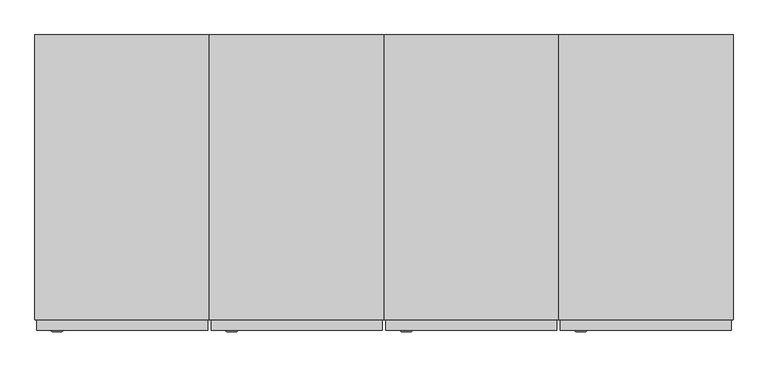
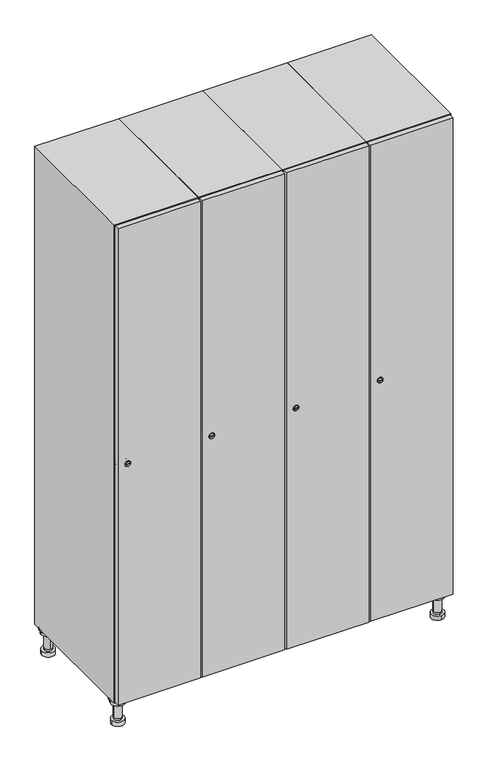
"""IFC4 building model written with IfcOpenShell, lengths in millimetres: furniture geometry."""

from ifc_helpers import new_model, si_unit, point, frame, frame_2d, origin, place, context, project, spatial, polyline, circle_curve, trimmed, segment, composite_curve, outline, extrude, faceted_brep, source, transform, mapped, element, save
from ifc_brep_helpers import plane_surface, cylinder_surface, revolved_surface, advanced_brep


def furniture_cc595a77(model_context):
    return source(origin(), model_context, "Body", "SolidModel", [
        advanced_brep(
        [(970.0, -201.0, 22.0), (970.0, -201.5, 16.0), (970.0, -228.5, 16.0), (970.0, -229.0, 22.0), (956.0, -215.0, 22.0), (984.0, -215.0, 22.0), (970.0, -192.5, 16.0), (970.0, -237.5, 16.0), (970.0, -192.5, 0.0), (970.0, -237.5, 0.0), (984.0, -215.0, 78.0), (956.0, -215.0, 78.0), (995.0, -215.0, 78.0), (945.0, -215.0, 78.0), (1000.0, -215.0, 94.0), (940.0, -215.0, 94.0), (945.0, -215.0, 94.0), (995.0, -215.0, 94.0), (1000.0, -215.0, 100.0), (940.0, -215.0, 100.0)],
        [
            (0, 1),
            (1, 2, circle_curve(frame((970.0, -215.0, 16.0), z_axis=(0.0, 0.0, 1.0), x_axis=(0.0, -1.0, 0.0)), 13.5)),
            (2, 3),
            (3, 4, circle_curve(frame((970.0, -215.0, 22.0), z_axis=(0.0, 0.0, -1.0), x_axis=(0.0, -1.0, 0.0)), 14.0)),
            (4, 0, circle_curve(frame((970.0, -215.0, 22.0), z_axis=(0.0, 0.0, -1.0), x_axis=(0.0, -1.0, 0.0)), 14.0)),
            (0, 5, circle_curve(frame((970.0, -215.0, 22.0), z_axis=(0.0, 0.0, -1.0), x_axis=(0.0, 1.0, 0.0)), 14.0)),
            (5, 3, circle_curve(frame((970.0, -215.0, 22.0), z_axis=(0.0, 0.0, -1.0), x_axis=(0.0, 1.0, 0.0)), 14.0)),
            (2, 1, circle_curve(frame((970.0, -215.0, 16.0), z_axis=(0.0, 0.0, 1.0), x_axis=(0.0, 1.0, 0.0)), 13.5)),
            (6, 7, circle_curve(frame((970.0, -215.0, 16.0), z_axis=(0.0, 0.0, 1.0), x_axis=(0.0, -1.0, 0.0)), 22.5)),
            (7, 6, circle_curve(frame((970.0, -215.0, 16.0), z_axis=(0.0, 0.0, 1.0), x_axis=(0.0, -1.0, 0.0)), 22.5)),
            (8, 9, circle_curve(frame((970.0, -215.0, 0.0), z_axis=(0.0, 0.0, -1.0), x_axis=(0.0, -1.0, 0.0)), 22.5)),
            (9, 8, circle_curve(frame((970.0, -215.0, 0.0), z_axis=(0.0, 0.0, -1.0), x_axis=(0.0, -1.0, 0.0)), 22.5)),
            (6, 8),
            (9, 7),
            (5, 10),
            (10, 11, circle_curve(frame((970.0, -215.0, 78.0), z_axis=(0.0, 0.0, -1.0), x_axis=(-1.0, 0.0, 0.0)), 14.0)),
            (11, 4),
            (11, 10, circle_curve(frame((970.0, -215.0, 78.0), z_axis=(0.0, 0.0, -1.0), x_axis=(-1.0, 0.0, 0.0)), 14.0)),
            (12, 13, circle_curve(frame((970.0, -215.0, 78.0), z_axis=(0.0, 0.0, -1.0), x_axis=(-1.0, 0.0, 0.0)), 25.0)),
            (13, 12, circle_curve(frame((970.0, -215.0, 78.0), z_axis=(0.0, 0.0, -1.0), x_axis=(-1.0, 0.0, 0.0)), 25.0)),
            (14, 15, circle_curve(frame((970.0, -215.0, 94.0), z_axis=(0.0, 0.0, -1.0), x_axis=(-1.0, 0.0, 0.0)), 30.0)),
            (15, 14, circle_curve(frame((970.0, -215.0, 94.0), z_axis=(0.0, 0.0, -1.0), x_axis=(-1.0, 0.0, 0.0)), 30.0)),
            (16, 17, circle_curve(frame((970.0, -215.0, 94.0), z_axis=(0.0, 0.0, 1.0), x_axis=(-1.0, 0.0, 0.0)), 25.0)),
            (17, 16, circle_curve(frame((970.0, -215.0, 94.0), z_axis=(0.0, 0.0, 1.0), x_axis=(-1.0, 0.0, 0.0)), 25.0)),
            (18, 19, circle_curve(frame((970.0, -215.0, 100.0), z_axis=(0.0, 0.0, 1.0), x_axis=(-1.0, 0.0, 0.0)), 30.0)),
            (19, 18, circle_curve(frame((970.0, -215.0, 100.0), z_axis=(0.0, 0.0, 1.0), x_axis=(-1.0, 0.0, 0.0)), 30.0)),
            (14, 18),
            (19, 15),
            (12, 17),
            (16, 13),
        ],
        [
            revolved_surface(polyline([(970.0, -201.5, 16.0), (970.0, -201.0, 22.0)]), (970.0, -215.0, -146.0), (0.0, 0.0, 1.0)),
            plane_surface(frame((970.0, 0.0, 16.0), z_axis=(0.0, 0.0, 1.0), x_axis=(0.0, -1.0, 0.0))),
            plane_surface(frame((970.0, 0.0, 0.0), z_axis=(0.0, 0.0, -1.0), x_axis=(0.0, -1.0, 0.0))),
            cylinder_surface(frame((970.0, -215.0, 16.0), z_axis=(0.0, 0.0, 1.0), x_axis=(0.0, -1.0, 0.0)), 22.5),
            cylinder_surface(frame((970.0, -215.0, 22.0), z_axis=(0.0, 0.0, -1.0), x_axis=(-1.0, 0.0, 0.0)), 14.0),
            plane_surface(frame((970.0, 0.0, 78.0), z_axis=(0.0, 0.0, -1.0), x_axis=(0.0, -1.0, 0.0))),
            plane_surface(frame((970.0, 0.0, 94.0), z_axis=(0.0, 0.0, -1.0), x_axis=(0.0, -1.0, 0.0))),
            plane_surface(frame((970.0, 0.0, 100.0), z_axis=(0.0, 0.0, 1.0), x_axis=(0.0, -1.0, 0.0))),
            cylinder_surface(frame((970.0, -215.0, 94.0), z_axis=(0.0, 0.0, -1.0), x_axis=(-1.0, 0.0, 0.0)), 30.0),
            cylinder_surface(frame((970.0, -215.0, 78.0), z_axis=(0.0, 0.0, -1.0), x_axis=(-1.0, 0.0, 0.0)), 25.0),
        ],
        [
            (0, [[1, 2, 3, 4, 5]]),
            (0, [[-1, 6, 7, -3, 8]]),
            (1, [[9, 10], [-2, -8]]),
            (2, [[11, 12]]),
            (3, [[-9, 13, -12, 14]]),
            (3, [[-10, -14, -11, -13]]),
            (4, [[15, 16, 17, -4, -7]]),
            (4, [[-15, -6, -5, -17, 18]]),
            (5, [[19, 20], [-16, -18]]),
            (6, [[21, 22], [23, 24]]),
            (7, [[25, 26]]),
            (8, [[-21, 27, -26, 28]]),
            (8, [[-22, -28, -25, -27]]),
            (9, [[-19, 29, -23, 30]]),
            (9, [[-20, -30, -24, -29]]),
        ],
    ),
        advanced_brep(
        [(-170.0, -201.0, 22.0), (-170.0, -201.5, 16.0), (-170.0, -228.5, 16.0), (-170.0, -229.0, 22.0), (-184.0, -215.0, 22.0), (-156.0, -215.0, 22.0), (-147.5, -215.0, 0.0), (-192.5, -215.0, 0.0), (-147.5, -215.0, 16.0), (-192.5, -215.0, 16.0), (-156.0, -215.0, 78.0), (-184.0, -215.0, 78.0), (-145.0, -215.0, 78.0), (-195.0, -215.0, 78.0), (-140.0, -215.0, 94.0), (-200.0, -215.0, 94.0), (-195.0, -215.0, 94.0), (-145.0, -215.0, 94.0), (-140.0, -215.0, 100.0), (-200.0, -215.0, 100.0)],
        [
            (0, 1),
            (1, 2, circle_curve(frame((-170.0, -215.0, 16.0), z_axis=(0.0, 0.0, 1.0), x_axis=(0.0, -1.0, 0.0)), 13.5)),
            (2, 3),
            (3, 4, circle_curve(frame((-170.0, -215.0, 22.0), z_axis=(0.0, 0.0, -1.0), x_axis=(0.0, -1.0, 0.0)), 14.0)),
            (4, 0, circle_curve(frame((-170.0, -215.0, 22.0), z_axis=(0.0, 0.0, -1.0), x_axis=(0.0, -1.0, 0.0)), 14.0)),
            (0, 5, circle_curve(frame((-170.0, -215.0, 22.0), z_axis=(0.0, 0.0, -1.0), x_axis=(0.0, 1.0, 0.0)), 14.0)),
            (5, 3, circle_curve(frame((-170.0, -215.0, 22.0), z_axis=(0.0, 0.0, -1.0), x_axis=(0.0, 1.0, 0.0)), 14.0)),
            (2, 1, circle_curve(frame((-170.0, -215.0, 16.0), z_axis=(0.0, 0.0, 1.0), x_axis=(0.0, 1.0, 0.0)), 13.5)),
            (6, 7, circle_curve(frame((-170.0, -215.0, 0.0), z_axis=(0.0, 0.0, -1.0), x_axis=(-1.0, 0.0, 0.0)), 22.5)),
            (7, 6, circle_curve(frame((-170.0, -215.0, 0.0), z_axis=(0.0, 0.0, -1.0), x_axis=(-1.0, 0.0, 0.0)), 22.5)),
            (8, 9, circle_curve(frame((-170.0, -215.0, 16.0), z_axis=(0.0, 0.0, 1.0), x_axis=(-1.0, 0.0, 0.0)), 22.5)),
            (9, 8, circle_curve(frame((-170.0, -215.0, 16.0), z_axis=(0.0, 0.0, 1.0), x_axis=(-1.0, 0.0, 0.0)), 22.5)),
            (6, 8),
            (9, 7),
            (5, 10),
            (10, 11, circle_curve(frame((-170.0, -215.0, 78.0), z_axis=(0.0, 0.0, -1.0), x_axis=(-1.0, 0.0, 0.0)), 14.0)),
            (11, 4),
            (11, 10, circle_curve(frame((-170.0, -215.0, 78.0), z_axis=(0.0, 0.0, -1.0), x_axis=(-1.0, 0.0, 0.0)), 14.0)),
            (12, 13, circle_curve(frame((-170.0, -215.0, 78.0), z_axis=(0.0, 0.0, -1.0), x_axis=(-1.0, 0.0, 0.0)), 25.0)),
            (13, 12, circle_curve(frame((-170.0, -215.0, 78.0), z_axis=(0.0, 0.0, -1.0), x_axis=(-1.0, 0.0, 0.0)), 25.0)),
            (14, 15, circle_curve(frame((-170.0, -215.0, 94.0), z_axis=(0.0, 0.0, -1.0), x_axis=(-1.0, 0.0, 0.0)), 30.0)),
            (15, 14, circle_curve(frame((-170.0, -215.0, 94.0), z_axis=(0.0, 0.0, -1.0), x_axis=(-1.0, 0.0, 0.0)), 30.0)),
            (16, 17, circle_curve(frame((-170.0, -215.0, 94.0), z_axis=(0.0, 0.0, 1.0), x_axis=(-1.0, 0.0, 0.0)), 25.0)),
            (17, 16, circle_curve(frame((-170.0, -215.0, 94.0), z_axis=(0.0, 0.0, 1.0), x_axis=(-1.0, 0.0, 0.0)), 25.0)),
            (18, 19, circle_curve(frame((-170.0, -215.0, 100.0), z_axis=(0.0, 0.0, 1.0), x_axis=(-1.0, 0.0, 0.0)), 30.0)),
            (19, 18, circle_curve(frame((-170.0, -215.0, 100.0), z_axis=(0.0, 0.0, 1.0), x_axis=(-1.0, 0.0, 0.0)), 30.0)),
            (14, 18),
            (19, 15),
            (12, 17),
            (16, 13),
        ],
        [
            revolved_surface(polyline([(-170.0, -201.5, 16.0), (-170.0, -201.0, 22.0)]), (-170.0, -215.0, -146.0), (0.0, 0.0, 1.0)),
            plane_surface(frame((-170.0, 0.0, 0.0), z_axis=(0.0, 0.0, -1.0), x_axis=(0.0, -1.0, 0.0))),
            plane_surface(frame((-170.0, 0.0, 16.0), z_axis=(0.0, 0.0, 1.0), x_axis=(0.0, -1.0, 0.0))),
            cylinder_surface(frame((-170.0, -215.0, 0.0), z_axis=(0.0, 0.0, -1.0), x_axis=(-1.0, 0.0, 0.0)), 22.5),
            cylinder_surface(frame((-170.0, -215.0, 22.0), z_axis=(0.0, 0.0, -1.0), x_axis=(-1.0, 0.0, 0.0)), 14.0),
            plane_surface(frame((-170.0, 0.0, 78.0), z_axis=(0.0, 0.0, -1.0), x_axis=(0.0, -1.0, 0.0))),
            plane_surface(frame((-170.0, 0.0, 94.0), z_axis=(0.0, 0.0, -1.0), x_axis=(0.0, -1.0, 0.0))),
            plane_surface(frame((-170.0, 0.0, 100.0), z_axis=(0.0, 0.0, 1.0), x_axis=(0.0, -1.0, 0.0))),
            cylinder_surface(frame((-170.0, -215.0, 94.0), z_axis=(0.0, 0.0, -1.0), x_axis=(-1.0, 0.0, 0.0)), 30.0),
            cylinder_surface(frame((-170.0, -215.0, 78.0), z_axis=(0.0, 0.0, -1.0), x_axis=(-1.0, 0.0, 0.0)), 25.0),
        ],
        [
            (0, [[1, 2, 3, 4, 5]]),
            (0, [[-1, 6, 7, -3, 8]]),
            (1, [[9, 10]]),
            (2, [[11, 12], [-2, -8]]),
            (3, [[-9, 13, -12, 14]]),
            (3, [[-10, -14, -11, -13]]),
            (4, [[15, 16, 17, -4, -7]]),
            (4, [[-15, -6, -5, -17, 18]]),
            (5, [[19, 20], [-16, -18]]),
            (6, [[21, 22], [23, 24]]),
            (7, [[25, 26]]),
            (8, [[-21, 27, -26, 28]]),
            (8, [[-22, -28, -25, -27]]),
            (9, [[-19, 29, -23, 30]]),
            (9, [[-20, -30, -24, -29]]),
        ],
    ),
        advanced_brep(
        [(983.5, 215.0, 16.0), (984.0, 215.0, 22.0), (956.0, 215.0, 22.0), (956.5, 215.0, 16.0), (992.5, 215.0, 0.0), (947.5, 215.0, 0.0), (992.5, 215.0, 16.0), (947.5, 215.0, 16.0), (984.0, 215.0, 78.0), (956.0, 215.0, 78.0), (995.0, 215.0, 78.0), (945.0, 215.0, 78.0), (1000.0, 215.0, 94.0), (940.0, 215.0, 94.0), (945.0, 215.0, 94.0), (995.0, 215.0, 94.0), (1000.0, 215.0, 100.0), (940.0, 215.0, 100.0)],
        [
            (0, 1),
            (1, 2, circle_curve(frame((970.0, 215.0, 22.0), z_axis=(0.0, 0.0, -1.0), x_axis=(-1.0, 0.0, 0.0)), 14.0)),
            (2, 3),
            (3, 0, circle_curve(frame((970.0, 215.0, 16.0), z_axis=(0.0, 0.0, 1.0), x_axis=(-1.0, 0.0, 0.0)), 13.5)),
            (0, 3, circle_curve(frame((970.0, 215.0, 16.0), z_axis=(0.0, 0.0, 1.0), x_axis=(1.0, 0.0, 0.0)), 13.5)),
            (2, 1, circle_curve(frame((970.0, 215.0, 22.0), z_axis=(0.0, 0.0, -1.0), x_axis=(1.0, 0.0, 0.0)), 14.0)),
            (4, 5, circle_curve(frame((970.0, 215.0, 0.0), z_axis=(0.0, 0.0, -1.0), x_axis=(-1.0, 0.0, 0.0)), 22.5)),
            (5, 4, circle_curve(frame((970.0, 215.0, 0.0), z_axis=(0.0, 0.0, -1.0), x_axis=(-1.0, 0.0, 0.0)), 22.5)),
            (6, 7, circle_curve(frame((970.0, 215.0, 16.0), z_axis=(0.0, 0.0, 1.0), x_axis=(-1.0, 0.0, 0.0)), 22.5)),
            (7, 6, circle_curve(frame((970.0, 215.0, 16.0), z_axis=(0.0, 0.0, 1.0), x_axis=(-1.0, 0.0, 0.0)), 22.5)),
            (4, 6),
            (7, 5),
            (1, 8),
            (8, 9, circle_curve(frame((970.0, 215.0, 78.0), z_axis=(0.0, 0.0, -1.0), x_axis=(-1.0, 0.0, 0.0)), 14.0)),
            (9, 2),
            (9, 8, circle_curve(frame((970.0, 215.0, 78.0), z_axis=(0.0, 0.0, -1.0), x_axis=(-1.0, 0.0, 0.0)), 14.0)),
            (10, 11, circle_curve(frame((970.0, 215.0, 78.0), z_axis=(0.0, 0.0, -1.0), x_axis=(-1.0, 0.0, 0.0)), 25.0)),
            (11, 10, circle_curve(frame((970.0, 215.0, 78.0), z_axis=(0.0, 0.0, -1.0), x_axis=(-1.0, 0.0, 0.0)), 25.0)),
            (12, 13, circle_curve(frame((970.0, 215.0, 94.0), z_axis=(0.0, 0.0, -1.0), x_axis=(-1.0, 0.0, 0.0)), 30.0)),
            (13, 12, circle_curve(frame((970.0, 215.0, 94.0), z_axis=(0.0, 0.0, -1.0), x_axis=(-1.0, 0.0, 0.0)), 30.0)),
            (14, 15, circle_curve(frame((970.0, 215.0, 94.0), z_axis=(0.0, 0.0, 1.0), x_axis=(-1.0, 0.0, 0.0)), 25.0)),
            (15, 14, circle_curve(frame((970.0, 215.0, 94.0), z_axis=(0.0, 0.0, 1.0), x_axis=(-1.0, 0.0, 0.0)), 25.0)),
            (16, 17, circle_curve(frame((970.0, 215.0, 100.0), z_axis=(0.0, 0.0, 1.0), x_axis=(-1.0, 0.0, 0.0)), 30.0)),
            (17, 16, circle_curve(frame((970.0, 215.0, 100.0), z_axis=(0.0, 0.0, 1.0), x_axis=(-1.0, 0.0, 0.0)), 30.0)),
            (12, 16),
            (17, 13),
            (10, 15),
            (14, 11),
        ],
        [
            revolved_surface(polyline([(983.5, 215.0, 16.0), (984.0, 215.0, 22.0)]), (970.0, 215.0, -146.0), (0.0, 0.0, 1.0)),
            plane_surface(frame((970.0, 0.0, 0.0), z_axis=(0.0, 0.0, -1.0), x_axis=(0.0, -1.0, 0.0))),
            plane_surface(frame((970.0, 0.0, 16.0), z_axis=(0.0, 0.0, 1.0), x_axis=(0.0, -1.0, 0.0))),
            cylinder_surface(frame((970.0, 215.0, 0.0), z_axis=(0.0, 0.0, -1.0), x_axis=(-1.0, 0.0, 0.0)), 22.5),
            cylinder_surface(frame((970.0, 215.0, 22.0), z_axis=(0.0, 0.0, -1.0), x_axis=(-1.0, 0.0, 0.0)), 14.0),
            plane_surface(frame((970.0, 0.0, 78.0), z_axis=(0.0, 0.0, -1.0), x_axis=(0.0, -1.0, 0.0))),
            plane_surface(frame((970.0, 0.0, 94.0), z_axis=(0.0, 0.0, -1.0), x_axis=(0.0, -1.0, 0.0))),
            plane_surface(frame((970.0, 0.0, 100.0), z_axis=(0.0, 0.0, 1.0), x_axis=(0.0, -1.0, 0.0))),
            cylinder_surface(frame((970.0, 215.0, 94.0), z_axis=(0.0, 0.0, -1.0), x_axis=(-1.0, 0.0, 0.0)), 30.0),
            cylinder_surface(frame((970.0, 215.0, 78.0), z_axis=(0.0, 0.0, -1.0), x_axis=(-1.0, 0.0, 0.0)), 25.0),
        ],
        [
            (0, [[1, 2, 3, 4]]),
            (0, [[-1, 5, -3, 6]]),
            (1, [[7, 8]]),
            (2, [[9, 10], [-4, -5]]),
            (3, [[-7, 11, -10, 12]]),
            (3, [[-8, -12, -9, -11]]),
            (4, [[13, 14, 15, -2]]),
            (4, [[-13, -6, -15, 16]]),
            (5, [[17, 18], [-14, -16]]),
            (6, [[19, 20], [21, 22]]),
            (7, [[23, 24]]),
            (8, [[-19, 25, -24, 26]]),
            (8, [[-20, -26, -23, -25]]),
            (9, [[-17, 27, -21, 28]]),
            (9, [[-18, -28, -22, -27]]),
        ],
    ),
        advanced_brep(
        [(-156.5, 215.0, 16.0), (-156.0, 215.0, 22.0), (-170.0, 201.0, 22.0), (-184.0, 215.0, 22.0), (-183.5, 215.0, 16.0), (-170.0, 229.0, 22.0), (-147.5, 215.0, 0.0), (-192.5, 215.0, 0.0), (-147.5, 215.0, 16.0), (-192.5, 215.0, 16.0), (-170.0, 229.0, 78.0), (-170.0, 201.0, 78.0), (-145.0, 215.0, 78.0), (-195.0, 215.0, 78.0), (-140.0, 215.0, 94.0), (-200.0, 215.0, 94.0), (-195.0, 215.0, 94.0), (-145.0, 215.0, 94.0), (-140.0, 215.0, 100.0), (-200.0, 215.0, 100.0)],
        [
            (0, 1),
            (1, 2, circle_curve(frame((-170.0, 215.0, 22.0), z_axis=(0.0, 0.0, -1.0), x_axis=(-1.0, 0.0, 0.0)), 14.0)),
            (2, 3, circle_curve(frame((-170.0, 215.0, 22.0), z_axis=(0.0, 0.0, -1.0), x_axis=(-1.0, 0.0, 0.0)), 14.0)),
            (3, 4),
            (4, 0, circle_curve(frame((-170.0, 215.0, 16.0), z_axis=(0.0, 0.0, 1.0), x_axis=(-1.0, 0.0, 0.0)), 13.5)),
            (0, 4, circle_curve(frame((-170.0, 215.0, 16.0), z_axis=(0.0, 0.0, 1.0), x_axis=(1.0, 0.0, 0.0)), 13.5)),
            (3, 5, circle_curve(frame((-170.0, 215.0, 22.0), z_axis=(0.0, 0.0, -1.0), x_axis=(1.0, 0.0, 0.0)), 14.0)),
            (5, 1, circle_curve(frame((-170.0, 215.0, 22.0), z_axis=(0.0, 0.0, -1.0), x_axis=(1.0, 0.0, 0.0)), 14.0)),
            (6, 7, circle_curve(frame((-170.0, 215.0, 0.0), z_axis=(0.0, 0.0, -1.0), x_axis=(-1.0, 0.0, 0.0)), 22.5)),
            (7, 6, circle_curve(frame((-170.0, 215.0, 0.0), z_axis=(0.0, 0.0, -1.0), x_axis=(-1.0, 0.0, 0.0)), 22.5)),
            (8, 9, circle_curve(frame((-170.0, 215.0, 16.0), z_axis=(0.0, 0.0, 1.0), x_axis=(-1.0, 0.0, 0.0)), 22.5)),
            (9, 8, circle_curve(frame((-170.0, 215.0, 16.0), z_axis=(0.0, 0.0, 1.0), x_axis=(-1.0, 0.0, 0.0)), 22.5)),
            (6, 8),
            (9, 7),
            (10, 5),
            (2, 11),
            (11, 10, circle_curve(frame((-170.0, 215.0, 78.0), z_axis=(0.0, 0.0, -1.0), x_axis=(0.0, -1.0, 0.0)), 14.0)),
            (10, 11, circle_curve(frame((-170.0, 215.0, 78.0), z_axis=(0.0, 0.0, -1.0), x_axis=(0.0, -1.0, 0.0)), 14.0)),
            (12, 13, circle_curve(frame((-170.0, 215.0, 78.0), z_axis=(0.0, 0.0, -1.0), x_axis=(-1.0, 0.0, 0.0)), 25.0)),
            (13, 12, circle_curve(frame((-170.0, 215.0, 78.0), z_axis=(0.0, 0.0, -1.0), x_axis=(-1.0, 0.0, 0.0)), 25.0)),
            (14, 15, circle_curve(frame((-170.0, 215.0, 94.0), z_axis=(0.0, 0.0, -1.0), x_axis=(-1.0, 0.0, 0.0)), 30.0)),
            (15, 14, circle_curve(frame((-170.0, 215.0, 94.0), z_axis=(0.0, 0.0, -1.0), x_axis=(-1.0, 0.0, 0.0)), 30.0)),
            (16, 17, circle_curve(frame((-170.0, 215.0, 94.0), z_axis=(0.0, 0.0, 1.0), x_axis=(-1.0, 0.0, 0.0)), 25.0)),
            (17, 16, circle_curve(frame((-170.0, 215.0, 94.0), z_axis=(0.0, 0.0, 1.0), x_axis=(-1.0, 0.0, 0.0)), 25.0)),
            (18, 19, circle_curve(frame((-170.0, 215.0, 100.0), z_axis=(0.0, 0.0, 1.0), x_axis=(-1.0, 0.0, 0.0)), 30.0)),
            (19, 18, circle_curve(frame((-170.0, 215.0, 100.0), z_axis=(0.0, 0.0, 1.0), x_axis=(-1.0, 0.0, 0.0)), 30.0)),
            (14, 18),
            (19, 15),
            (12, 17),
            (16, 13),
        ],
        [
            revolved_surface(polyline([(-156.5, 215.0, 16.0), (-156.0, 215.0, 22.0)]), (-170.0, 215.0, -146.0), (0.0, 0.0, 1.0)),
            plane_surface(frame((-170.0, 0.0, 0.0), z_axis=(0.0, 0.0, -1.0), x_axis=(0.0, -1.0, 0.0))),
            plane_surface(frame((-170.0, 0.0, 16.0), z_axis=(0.0, 0.0, 1.0), x_axis=(0.0, -1.0, 0.0))),
            cylinder_surface(frame((-170.0, 215.0, 0.0), z_axis=(0.0, 0.0, -1.0), x_axis=(-1.0, 0.0, 0.0)), 22.5),
            cylinder_surface(frame((-170.0, 215.0, 78.0), z_axis=(0.0, 0.0, 1.0), x_axis=(0.0, -1.0, 0.0)), 14.0),
            plane_surface(frame((-170.0, 0.0, 78.0), z_axis=(0.0, 0.0, -1.0), x_axis=(0.0, -1.0, 0.0))),
            plane_surface(frame((-170.0, 0.0, 94.0), z_axis=(0.0, 0.0, -1.0), x_axis=(0.0, -1.0, 0.0))),
            plane_surface(frame((-170.0, 0.0, 100.0), z_axis=(0.0, 0.0, 1.0), x_axis=(0.0, -1.0, 0.0))),
            cylinder_surface(frame((-170.0, 215.0, 94.0), z_axis=(0.0, 0.0, -1.0), x_axis=(-1.0, 0.0, 0.0)), 30.0),
            cylinder_surface(frame((-170.0, 215.0, 78.0), z_axis=(0.0, 0.0, -1.0), x_axis=(-1.0, 0.0, 0.0)), 25.0),
        ],
        [
            (0, [[1, 2, 3, 4, 5]]),
            (0, [[-1, 6, -4, 7, 8]]),
            (1, [[9, 10]]),
            (2, [[11, 12], [-5, -6]]),
            (3, [[-9, 13, -12, 14]]),
            (3, [[-10, -14, -11, -13]]),
            (4, [[15, -7, -3, 16, 17]]),
            (4, [[-15, 18, -16, -2, -8]]),
            (5, [[19, 20], [-17, -18]]),
            (6, [[21, 22], [23, 24]]),
            (7, [[25, 26]]),
            (8, [[-21, 27, -26, 28]]),
            (8, [[-22, -28, -25, -27]]),
            (9, [[-19, 29, -23, 30]]),
            (9, [[-20, -30, -24, -29]]),
        ],
    ),
        extrude(outline(composite_curve([segment(trimmed(circle_curve(frame_2d((1000.0, 711.2010534)), 7.0), [point((1007.0, 711.2010534))], [point((993.0, 711.2010534))], False, "CARTESIAN"), True, "CONTINUOUS"), segment(polyline([(993.0, 711.2010534), (993.0, 739.2010534)]), True, "CONTINUOUS"), segment(trimmed(circle_curve(frame_2d((1000.0, 739.2010534)), 7.0), [point((993.0, 739.2010534))], [point((1007.0, 739.2010534))], False, "CARTESIAN"), True, "CONTINUOUS"), segment(polyline([(1007.0, 739.2010534), (1007.0, 711.2010534)]), True, "CONTINUOUS")], self_intersect=False)), frame((0.0, -245.0, 0.0), z_axis=(0.0, 1.0, 0.0), x_axis=(0.0, 0.0, 1.0)), (0.0, 0.0, 1.0), 2.0),
        advanced_brep(
        [(746.5, -265.2, 1000.0), (729.5, -265.2, 1000.0), (733.0, -265.2, 998.75), (733.0, -265.2, 1001.25), (743.0, -265.2, 1001.25), (743.0, -265.2, 998.75), (748.5, -263.0, 1000.0), (727.5, -263.0, 1000.0), (733.0, -263.0, 1001.25), (733.0, -263.0, 998.75), (743.0, -263.0, 998.75), (743.0, -263.0, 1001.25)],
        [
            (0, 1, circle_curve(frame((738.0, -265.2, 1000.0), z_axis=(0.0, -1.0, 0.0), x_axis=(1.0, 0.0, 0.0)), 8.5)),
            (1, 0, circle_curve(frame((738.0, -265.2, 1000.0), z_axis=(0.0, -1.0, 0.0), x_axis=(-1.0, 0.0, 0.0)), 8.5)),
            (2, 3),
            (3, 4),
            (4, 5),
            (5, 2),
            (6, 7, circle_curve(frame((738.0, -263.0, 1000.0), z_axis=(0.0, 1.0, 0.0), x_axis=(-1.0, 0.0, 0.0)), 10.5)),
            (7, 6, circle_curve(frame((738.0, -263.0, 1000.0), z_axis=(0.0, 1.0, 0.0), x_axis=(1.0, 0.0, 0.0)), 10.5)),
            (8, 9),
            (9, 10),
            (10, 11),
            (11, 8),
            (0, 6),
            (7, 1),
            (8, 3),
            (2, 9),
            (11, 4),
            (10, 5),
        ],
        [
            plane_surface(frame((738.0, -265.2, 1000.0), z_axis=(0.0, -1.0, 0.0), x_axis=(0.0, 0.0, 1.0))),
            plane_surface(frame((738.0, -263.0, 1000.0), z_axis=(0.0, 1.0, 0.0), x_axis=(0.0, 0.0, 1.0))),
            revolved_surface(polyline([(746.5, -265.2, 1000.0), (748.5, -263.0, 1000.0)]), (738.0, -274.55, 1000.0), (0.0, 1.0, 0.0)),
            revolved_surface(polyline([(729.5, -265.2, 1000.0), (727.5, -263.0, 1000.0)]), (738.0, -274.55, 1000.0), (0.0, 1.0, 0.0)),
            plane_surface(frame((733.0, -263.0, 998.75), z_axis=(1.0, 0.0, 0.0), x_axis=(0.0, -1.0, 0.0))),
            plane_surface(frame((733.0, -263.0, 1001.25), z_axis=(0.0, 0.0, -1.0), x_axis=(0.0, -1.0, 0.0))),
            plane_surface(frame((743.0, -263.0, 1001.25), z_axis=(-1.0, 0.0, 0.0), x_axis=(0.0, -1.0, 0.0))),
            plane_surface(frame((743.0, -263.0, 998.75), z_axis=(0.0, 0.0, 1.0), x_axis=(0.0, -1.0, 0.0))),
        ],
        [
            (0, [[1, 2], [3, 4, 5, 6]]),
            (1, [[7, 8], [9, 10, 11, 12]]),
            (2, [[-1, 13, -8, 14]]),
            (3, [[-2, -14, -7, -13]]),
            (4, [[15, -3, 16, -9]]),
            (5, [[-15, -12, 17, -4]]),
            (6, [[-17, -11, 18, -5]]),
            (7, [[-16, -6, -18, -10]]),
        ],
    ),
        extrude(outline(polyline([(997.0, -245.0), (997.0, -263.0), (703.0, -263.0), (703.0, -245.0), (997.0, -245.0)])), frame((0.0, 0.0, 103.0), z_axis=(0.0, 0.0, 1.0), x_axis=(1.0, 0.0, 0.0)), (0.0, 0.0, 1.0), 1794.0),
        faceted_brep([(1000.0, -245.0, 100.0), (1000.0, -245.0, 1900.0), (700.0, -245.0, 1900.0), (700.0, -245.0, 100.0), (982.0, -245.0, 1882.0), (982.0, -245.0, 118.0), (718.0, -245.0, 118.0), (718.0, -245.0, 1882.0), (1000.0, 245.0, 100.0), (700.0, 245.0, 100.0), (1000.0, 245.0, 1900.0), (700.0, 245.0, 1900.0), (982.0, 227.0, 1882.0), (982.0, 227.0, 118.0), (700.0, 245.0, 1882.0), (718.0, 227.0, 1882.0), (718.0, 227.0, 118.0)], [[[0, 1, 2, 3], [4, 5, 6, 7]], [[8, 0, 3, 9]], [[1, 0, 8, 10]], [[1, 10, 11, 2]], [[4, 12, 13, 5]], [[9, 3, 2, 11, 14]], [[10, 8, 9, 14, 11]], [[12, 15, 16, 13]], [[15, 7, 6, 16]], [[4, 7, 15, 12]], [[6, 5, 13, 16]]]),
        extrude(outline(composite_curve([segment(trimmed(circle_curve(frame_2d((1000.0, 411.2010534)), 7.0), [point((1007.0, 411.2010534))], [point((993.0, 411.2010534))], False, "CARTESIAN"), True, "CONTINUOUS"), segment(polyline([(993.0, 411.2010534), (993.0, 439.2010534)]), True, "CONTINUOUS"), segment(trimmed(circle_curve(frame_2d((1000.0, 439.2010534)), 7.0), [point((993.0, 439.2010534))], [point((1007.0, 439.2010534))], False, "CARTESIAN"), True, "CONTINUOUS"), segment(polyline([(1007.0, 439.2010534), (1007.0, 411.2010534)]), True, "CONTINUOUS")], self_intersect=False)), frame((0.0, -245.0, 0.0), z_axis=(0.0, 1.0, 0.0), x_axis=(0.0, 0.0, 1.0)), (0.0, 0.0, 1.0), 2.0),
        advanced_brep(
        [(446.5, -265.2, 1000.0), (429.5, -265.2, 1000.0), (433.0, -265.2, 998.75), (433.0, -265.2, 1001.25), (443.0, -265.2, 1001.25), (443.0, -265.2, 998.75), (448.5, -263.0, 1000.0), (427.5, -263.0, 1000.0), (433.0, -263.0, 1001.25), (433.0, -263.0, 998.75), (443.0, -263.0, 998.75), (443.0, -263.0, 1001.25)],
        [
            (0, 1, circle_curve(frame((438.0, -265.2, 1000.0), z_axis=(0.0, -1.0, 0.0), x_axis=(1.0, 0.0, 0.0)), 8.5)),
            (1, 0, circle_curve(frame((438.0, -265.2, 1000.0), z_axis=(0.0, -1.0, 0.0), x_axis=(-1.0, 0.0, 0.0)), 8.5)),
            (2, 3),
            (3, 4),
            (4, 5),
            (5, 2),
            (6, 7, circle_curve(frame((438.0, -263.0, 1000.0), z_axis=(0.0, 1.0, 0.0), x_axis=(-1.0, 0.0, 0.0)), 10.5)),
            (7, 6, circle_curve(frame((438.0, -263.0, 1000.0), z_axis=(0.0, 1.0, 0.0), x_axis=(1.0, 0.0, 0.0)), 10.5)),
            (8, 9),
            (9, 10),
            (10, 11),
            (11, 8),
            (0, 6),
            (7, 1),
            (8, 3),
            (2, 9),
            (11, 4),
            (10, 5),
        ],
        [
            plane_surface(frame((438.0, -265.2, 1000.0), z_axis=(0.0, -1.0, 0.0), x_axis=(0.0, 0.0, 1.0))),
            plane_surface(frame((438.0, -263.0, 1000.0), z_axis=(0.0, 1.0, 0.0), x_axis=(0.0, 0.0, 1.0))),
            revolved_surface(polyline([(446.5, -265.2, 1000.0), (448.5, -263.0, 1000.0)]), (438.0, -274.55, 1000.0), (0.0, 1.0, 0.0)),
            revolved_surface(polyline([(429.5, -265.2, 1000.0), (427.5, -263.0, 1000.0)]), (438.0, -274.55, 1000.0), (0.0, 1.0, 0.0)),
            plane_surface(frame((433.0, -263.0, 998.75), z_axis=(1.0, 0.0, 0.0), x_axis=(0.0, -1.0, 0.0))),
            plane_surface(frame((433.0, -263.0, 1001.25), z_axis=(0.0, 0.0, -1.0), x_axis=(0.0, -1.0, 0.0))),
            plane_surface(frame((443.0, -263.0, 1001.25), z_axis=(-1.0, 0.0, 0.0), x_axis=(0.0, -1.0, 0.0))),
            plane_surface(frame((443.0, -263.0, 998.75), z_axis=(0.0, 0.0, 1.0), x_axis=(0.0, -1.0, 0.0))),
        ],
        [
            (0, [[1, 2], [3, 4, 5, 6]]),
            (1, [[7, 8], [9, 10, 11, 12]]),
            (2, [[-1, 13, -8, 14]]),
            (3, [[-2, -14, -7, -13]]),
            (4, [[15, -3, 16, -9]]),
            (5, [[-15, -12, 17, -4]]),
            (6, [[-17, -11, 18, -5]]),
            (7, [[-16, -6, -18, -10]]),
        ],
    ),
        extrude(outline(polyline([(697.0, -245.0), (697.0, -263.0), (403.0, -263.0), (403.0, -245.0), (697.0, -245.0)])), frame((0.0, 0.0, 103.0), z_axis=(0.0, 0.0, 1.0), x_axis=(1.0, 0.0, 0.0)), (0.0, 0.0, 1.0), 1794.0),
        faceted_brep([(700.0, -245.0, 100.0), (700.0, -245.0, 1900.0), (400.0, -245.0, 1900.0), (400.0, -245.0, 100.0), (682.0, -245.0, 1882.0), (682.0, -245.0, 118.0), (418.0, -245.0, 118.0), (418.0, -245.0, 1882.0), (700.0, 245.0, 100.0), (400.0, 245.0, 100.0), (700.0, 245.0, 1900.0), (400.0, 245.0, 1900.0), (682.0, 227.0, 1882.0), (682.0, 227.0, 118.0), (400.0, 245.0, 1882.0), (418.0, 227.0, 1882.0), (418.0, 227.0, 118.0)], [[[0, 1, 2, 3], [4, 5, 6, 7]], [[8, 0, 3, 9]], [[1, 0, 8, 10]], [[1, 10, 11, 2]], [[4, 12, 13, 5]], [[9, 3, 2, 11, 14]], [[10, 8, 9, 14, 11]], [[12, 15, 16, 13]], [[15, 7, 6, 16]], [[4, 7, 15, 12]], [[6, 5, 13, 16]]]),
        extrude(outline(composite_curve([segment(trimmed(circle_curve(frame_2d((1000.0, 111.2010534)), 7.0), [point((1007.0, 111.2010534))], [point((993.0, 111.2010534))], False, "CARTESIAN"), True, "CONTINUOUS"), segment(polyline([(993.0, 111.2010534), (993.0, 139.2010534)]), True, "CONTINUOUS"), segment(trimmed(circle_curve(frame_2d((1000.0, 139.2010534)), 7.0), [point((993.0, 139.2010534))], [point((1007.0, 139.2010534))], False, "CARTESIAN"), True, "CONTINUOUS"), segment(polyline([(1007.0, 139.2010534), (1007.0, 111.2010534)]), True, "CONTINUOUS")], self_intersect=False)), frame((0.0, -245.0, 0.0), z_axis=(0.0, 1.0, 0.0), x_axis=(0.0, 0.0, 1.0)), (0.0, 0.0, 1.0), 2.0),
        advanced_brep(
        [(146.5, -265.2, 1000.0), (129.5, -265.2, 1000.0), (133.0, -265.2, 998.75), (133.0, -265.2, 1001.25), (143.0, -265.2, 1001.25), (143.0, -265.2, 998.75), (148.5, -263.0, 1000.0), (127.5, -263.0, 1000.0), (133.0, -263.0, 1001.25), (133.0, -263.0, 998.75), (143.0, -263.0, 998.75), (143.0, -263.0, 1001.25)],
        [
            (0, 1, circle_curve(frame((138.0, -265.2, 1000.0), z_axis=(0.0, -1.0, 0.0), x_axis=(1.0, 0.0, 0.0)), 8.5)),
            (1, 0, circle_curve(frame((138.0, -265.2, 1000.0), z_axis=(0.0, -1.0, 0.0), x_axis=(-1.0, 0.0, 0.0)), 8.5)),
            (2, 3),
            (3, 4),
            (4, 5),
            (5, 2),
            (6, 7, circle_curve(frame((138.0, -263.0, 1000.0), z_axis=(0.0, 1.0, 0.0), x_axis=(-1.0, 0.0, 0.0)), 10.5)),
            (7, 6, circle_curve(frame((138.0, -263.0, 1000.0), z_axis=(0.0, 1.0, 0.0), x_axis=(1.0, 0.0, 0.0)), 10.5)),
            (8, 9),
            (9, 10),
            (10, 11),
            (11, 8),
            (0, 6),
            (7, 1),
            (8, 3),
            (2, 9),
            (11, 4),
            (10, 5),
        ],
        [
            plane_surface(frame((138.0, -265.2, 1000.0), z_axis=(0.0, -1.0, 0.0), x_axis=(0.0, 0.0, 1.0))),
            plane_surface(frame((138.0, -263.0, 1000.0), z_axis=(0.0, 1.0, 0.0), x_axis=(0.0, 0.0, 1.0))),
            revolved_surface(polyline([(146.5, -265.2, 1000.0), (148.5, -263.0, 1000.0)]), (138.0, -274.55, 1000.0), (0.0, 1.0, 0.0)),
            revolved_surface(polyline([(129.5, -265.2, 1000.0), (127.5, -263.0, 1000.0)]), (138.0, -274.55, 1000.0), (0.0, 1.0, 0.0)),
            plane_surface(frame((133.0, -263.0, 998.75), z_axis=(1.0, 0.0, 0.0), x_axis=(0.0, -1.0, 0.0))),
            plane_surface(frame((133.0, -263.0, 1001.25), z_axis=(0.0, 0.0, -1.0), x_axis=(0.0, -1.0, 0.0))),
            plane_surface(frame((143.0, -263.0, 1001.25), z_axis=(-1.0, 0.0, 0.0), x_axis=(0.0, -1.0, 0.0))),
            plane_surface(frame((143.0, -263.0, 998.75), z_axis=(0.0, 0.0, 1.0), x_axis=(0.0, -1.0, 0.0))),
        ],
        [
            (0, [[1, 2], [3, 4, 5, 6]]),
            (1, [[7, 8], [9, 10, 11, 12]]),
            (2, [[-1, 13, -8, 14]]),
            (3, [[-2, -14, -7, -13]]),
            (4, [[15, -3, 16, -9]]),
            (5, [[-15, -12, 17, -4]]),
            (6, [[-17, -11, 18, -5]]),
            (7, [[-16, -6, -18, -10]]),
        ],
    ),
        extrude(outline(polyline([(397.0, -245.0), (397.0, -263.0), (103.0, -263.0), (103.0, -245.0), (397.0, -245.0)])), frame((0.0, 0.0, 103.0), z_axis=(0.0, 0.0, 1.0), x_axis=(1.0, 0.0, 0.0)), (0.0, 0.0, 1.0), 1794.0),
        faceted_brep([(400.0, -245.0, 100.0), (400.0, -245.0, 1900.0), (100.0, -245.0, 1900.0), (100.0, -245.0, 100.0), (382.0, -245.0, 1882.0), (382.0, -245.0, 118.0), (118.0, -245.0, 118.0), (118.0, -245.0, 1882.0), (400.0, 245.0, 100.0), (100.0, 245.0, 100.0), (400.0, 245.0, 1900.0), (100.0, 245.0, 1900.0), (382.0, 227.0, 1882.0), (382.0, 227.0, 118.0), (100.0, 245.0, 1882.0), (118.0, 227.0, 1882.0), (118.0, 227.0, 118.0)], [[[0, 1, 2, 3], [4, 5, 6, 7]], [[8, 0, 3, 9]], [[1, 0, 8, 10]], [[1, 10, 11, 2]], [[4, 12, 13, 5]], [[9, 3, 2, 11, 14]], [[10, 8, 9, 14, 11]], [[12, 15, 16, 13]], [[15, 7, 6, 16]], [[4, 7, 15, 12]], [[6, 5, 13, 16]]]),
        extrude(outline(composite_curve([segment(trimmed(circle_curve(frame_2d((1000.0, -188.7989466)), 7.0), [point((1007.0, -188.7989466))], [point((993.0, -188.7989466))], False, "CARTESIAN"), True, "CONTINUOUS"), segment(polyline([(993.0, -188.7989466), (993.0, -160.7989466)]), True, "CONTINUOUS"), segment(trimmed(circle_curve(frame_2d((1000.0, -160.7989466)), 7.0), [point((993.0, -160.7989466))], [point((1007.0, -160.7989466))], False, "CARTESIAN"), True, "CONTINUOUS"), segment(polyline([(1007.0, -160.7989466), (1007.0, -188.7989466)]), True, "CONTINUOUS")], self_intersect=False)), frame((0.0, -245.0, 0.0), z_axis=(0.0, 1.0, 0.0), x_axis=(0.0, 0.0, 1.0)), (0.0, 0.0, 1.0), 2.0),
        advanced_brep(
        [(-153.5, -265.2, 1000.0), (-170.5, -265.2, 1000.0), (-167.0, -265.2, 998.75), (-167.0, -265.2, 1001.25), (-157.0, -265.2, 1001.25), (-157.0, -265.2, 998.75), (-151.5, -263.0, 1000.0), (-172.5, -263.0, 1000.0), (-167.0, -263.0, 1001.25), (-167.0, -263.0, 998.75), (-157.0, -263.0, 998.75), (-157.0, -263.0, 1001.25)],
        [
            (0, 1, circle_curve(frame((-162.0, -265.2, 1000.0), z_axis=(0.0, -1.0, 0.0), x_axis=(1.0, 0.0, 0.0)), 8.5)),
            (1, 0, circle_curve(frame((-162.0, -265.2, 1000.0), z_axis=(0.0, -1.0, 0.0), x_axis=(-1.0, 0.0, 0.0)), 8.5)),
            (2, 3),
            (3, 4),
            (4, 5),
            (5, 2),
            (6, 7, circle_curve(frame((-162.0, -263.0, 1000.0), z_axis=(0.0, 1.0, 0.0), x_axis=(-1.0, 0.0, 0.0)), 10.5)),
            (7, 6, circle_curve(frame((-162.0, -263.0, 1000.0), z_axis=(0.0, 1.0, 0.0), x_axis=(1.0, 0.0, 0.0)), 10.5)),
            (8, 9),
            (9, 10),
            (10, 11),
            (11, 8),
            (0, 6),
            (7, 1),
            (8, 3),
            (2, 9),
            (11, 4),
            (10, 5),
        ],
        [
            plane_surface(frame((-162.0, -265.2, 1000.0), z_axis=(0.0, -1.0, 0.0), x_axis=(0.0, 0.0, 1.0))),
            plane_surface(frame((-162.0, -263.0, 1000.0), z_axis=(0.0, 1.0, 0.0), x_axis=(0.0, 0.0, 1.0))),
            revolved_surface(polyline([(-153.5, -265.2, 1000.0), (-151.5, -263.0, 1000.0)]), (-162.0, -274.55, 1000.0), (0.0, 1.0, 0.0)),
            revolved_surface(polyline([(-170.5, -265.2, 1000.0), (-172.5, -263.0, 1000.0)]), (-162.0, -274.55, 1000.0), (0.0, 1.0, 0.0)),
            plane_surface(frame((-167.0, -263.0, 998.75), z_axis=(1.0, 0.0, 0.0), x_axis=(0.0, -1.0, 0.0))),
            plane_surface(frame((-167.0, -263.0, 1001.25), z_axis=(0.0, 0.0, -1.0), x_axis=(0.0, -1.0, 0.0))),
            plane_surface(frame((-157.0, -263.0, 1001.25), z_axis=(-1.0, 0.0, 0.0), x_axis=(0.0, -1.0, 0.0))),
            plane_surface(frame((-157.0, -263.0, 998.75), z_axis=(0.0, 0.0, 1.0), x_axis=(0.0, -1.0, 0.0))),
        ],
        [
            (0, [[1, 2], [3, 4, 5, 6]]),
            (1, [[7, 8], [9, 10, 11, 12]]),
            (2, [[-1, 13, -8, 14]]),
            (3, [[-2, -14, -7, -13]]),
            (4, [[15, -3, 16, -9]]),
            (5, [[-15, -12, 17, -4]]),
            (6, [[-17, -11, 18, -5]]),
            (7, [[-16, -6, -18, -10]]),
        ],
    ),
        extrude(outline(polyline([(97.0, -245.0), (97.0, -263.0), (-197.0, -263.0), (-197.0, -245.0), (97.0, -245.0)])), frame((0.0, 0.0, 103.0), z_axis=(0.0, 0.0, 1.0), x_axis=(1.0, 0.0, 0.0)), (0.0, 0.0, 1.0), 1794.0),
        faceted_brep([(100.0, -245.0, 100.0), (100.0, -245.0, 1900.0), (-200.0, -245.0, 1900.0), (-200.0, -245.0, 100.0), (82.0, -245.0, 1882.0), (82.0, -245.0, 118.0), (-182.0, -245.0, 118.0), (-182.0, -245.0, 1882.0), (100.0, 245.0, 100.0), (-200.0, 245.0, 100.0), (100.0, 245.0, 1900.0), (-200.0, 245.0, 1900.0), (82.0, 227.0, 1882.0), (82.0, 227.0, 118.0), (-200.0, 245.0, 1882.0), (-182.0, 227.0, 1882.0), (-182.0, 227.0, 118.0)], [[[0, 1, 2, 3], [4, 5, 6, 7]], [[8, 0, 3, 9]], [[1, 0, 8, 10]], [[1, 10, 11, 2]], [[4, 12, 13, 5]], [[9, 3, 2, 11, 14]], [[10, 8, 9, 14, 11]], [[12, 15, 16, 13]], [[15, 7, 6, 16]], [[4, 7, 15, 12]], [[6, 5, 13, 16]]]),
    ])


if __name__ == "__main__":
    model = new_model("IFC4")
    model_context = context("Model", 3, world=origin())
    ifc_project = project(units=[si_unit("LENGTHUNIT", "METRE", prefix="MILLI")], contexts=[model_context])
    site = spatial("IfcSite", under=ifc_project)
    building = spatial("IfcBuilding", under=site)
    placement = place(None, origin())
    furniture_shape = furniture_cc595a77(model_context)
    element("IfcFurniture", 1, at=placement, inside=building, context=model_context, shape_type="MappedRepresentation", body=[
        mapped(furniture_shape, transform((0.0, 0.0, 0.0), x_axis=(1.0, 0.0, 0.0), y_axis=(0.0, 1.0, 0.0), z_axis=(0.0, 0.0, 1.0))),
    ])
    save(model, "model.ifc")
